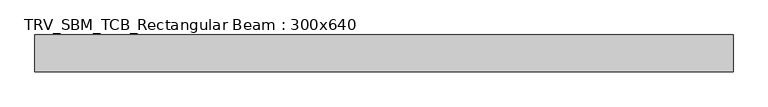
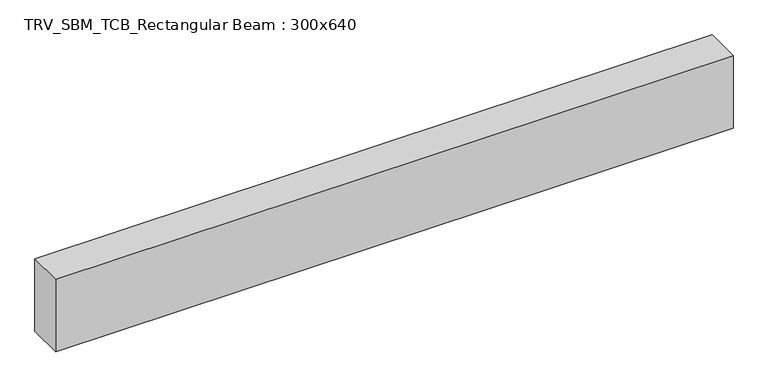
"""IFC4 building model written with IfcOpenShell, lengths in millimetres: beam geometry, TRV_SBM_TCB_Rectangular Beam : 300x640."""

from ifc_helpers import new_model, si_unit, frame, origin, place, context, project, spatial, polyline, outline, extrude, source, transform, mapped, element, save


def trv_sbm_tcb_rectangular_beam_300x640_5d9780c2(model_context):
    return source(origin(), model_context, "Body", "SweptSolid", [
        extrude(outline(polyline([(2827.7, 150.0), (2827.7, -150.0), (-2827.7, -150.0), (-2827.7, 150.0), (2827.7, 150.0)])), frame((0.0, 0.0, -320.0), z_axis=(0.0, 0.0, 1.0), x_axis=(1.0, 0.0, 0.0)), (0.0, 0.0, 1.0), 640.0),
    ])


if __name__ == "__main__":
    model = new_model("IFC4")
    model_context = context("Model", 3, world=origin())
    ifc_project = project(units=[si_unit("LENGTHUNIT", "METRE", prefix="MILLI")], contexts=[model_context])
    site = spatial("IfcSite", under=ifc_project)
    building = spatial("IfcBuilding", under=site)
    placement = place(None, origin())
    trv_sbm_tcb_rectangular_beam_300x640_shape = trv_sbm_tcb_rectangular_beam_300x640_5d9780c2(model_context)
    element("IfcBeam", 1, ObjectType="TRV_SBM_TCB_Rectangular Beam : 300x640", at=placement, inside=building, context=model_context, shape_type="MappedRepresentation", body=[
        mapped(trv_sbm_tcb_rectangular_beam_300x640_shape, transform((0.0, 0.0, 0.0), x_axis=(1.0, 0.0, 0.0), y_axis=(0.0, 1.0, 0.0), z_axis=(0.0, 0.0, 1.0))),
    ])
    save(model, "model.ifc")
